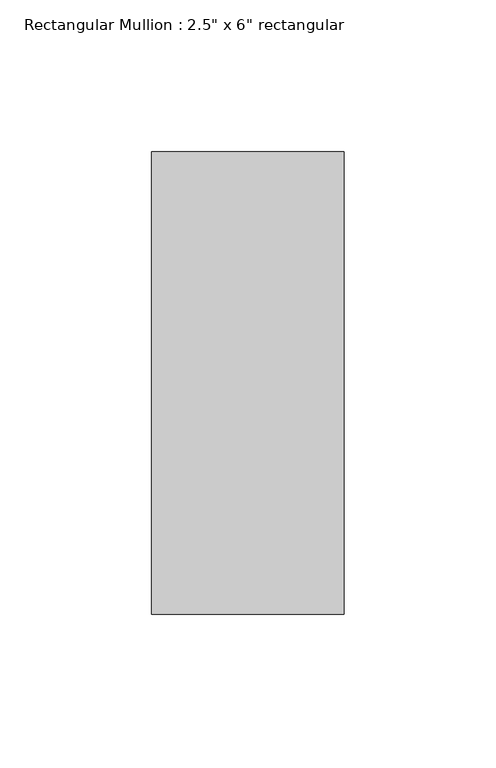
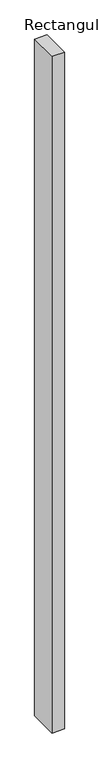
"""IFC4 building model written with IfcOpenShell, lengths in millimetres: member geometry."""

from ifc_helpers import new_model, si_unit, frame, origin, place, context, project, spatial, polyline, outline, extrude, source, transform, mapped, element, save


def member_e1e45ca0(model_context):
    return source(origin(), model_context, "Body", "SweptSolid", [
        extrude(outline(polyline([(0.0, 60.325), (0.0, -92.075), (-63.5, -92.075), (-63.5, 60.325), (0.0, 60.325)])), frame((0.0, 0.0, -3659.9213441), z_axis=(0.0, 0.0, 1.0), x_axis=(1.0, 0.0, 0.0)), (0.0, 0.0, 1.0), 3659.9213441),
    ])


if __name__ == "__main__":
    model = new_model("IFC4")
    model_context = context("Model", 3, world=origin())
    ifc_project = project(units=[si_unit("LENGTHUNIT", "METRE", prefix="MILLI")], contexts=[model_context])
    site = spatial("IfcSite", under=ifc_project)
    building = spatial("IfcBuilding", under=site)
    placement = place(None, origin())
    member_shape = member_e1e45ca0(model_context)
    element("IfcMember", 1, ObjectType="Rectangular Mullion : 2.5\" x 6\" rectangular", at=placement, inside=building, context=model_context, shape_type="MappedRepresentation", body=[
        mapped(member_shape, transform((0.0, 0.0, 0.0), x_axis=(1.0, 0.0, 0.0), y_axis=(0.0, 1.0, 0.0), z_axis=(0.0, 0.0, 1.0))),
    ])
    save(model, "model.ifc")
